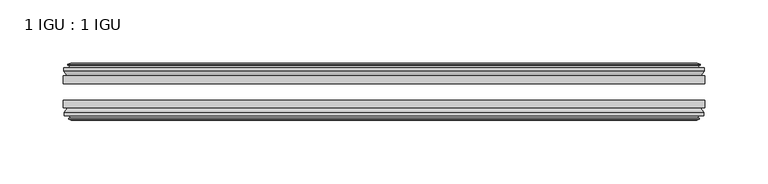
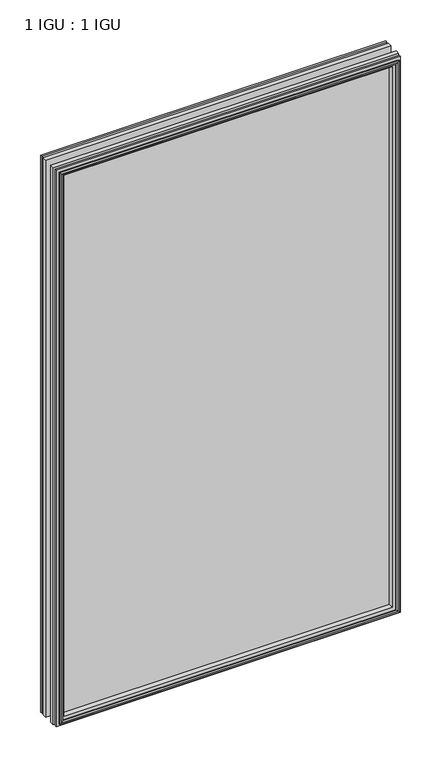
"""IFC4 building model written with IfcOpenShell, lengths in millimetres: plate geometry, 1 IGU : 1 IGU."""

from ifc_helpers import new_model, si_unit, frame, origin, place, context, project, spatial, polyline, outline, extrude, faceted_brep, source, transform, mapped, element, save


def plate_1_igu_1_igu_9dfd8cb1(model_context):
    return source(origin(), model_context, "Body", "SolidModel", [
        extrude(outline(polyline([(253.4683132, -19.5460937), (253.4683132, -25.8960938), (-253.4683132, -25.8960938), (-253.4683132, -19.5460937), (253.4683132, -19.5460937)])), frame((0.0, 0.0, -12.7), z_axis=(0.0, 0.0, 1.0), x_axis=(1.0, 0.0, 0.0)), (0.0, 0.0, 1.0), 863.6104046),
        extrude(outline(polyline([(-253.4683132, -44.9460938), (-253.4683132, -38.9186737), (253.4683132, -38.9186737), (253.4683132, -44.9460938), (-253.4683132, -44.9460938)])), frame((0.0, 0.0, -12.7), z_axis=(0.0, 0.0, 1.0), x_axis=(1.0, 0.0, 0.0)), (0.0, 0.0, 1.0), 863.6104046),
        faceted_brep([(-247.8803132, -53.6762907, 845.3224046), (-248.2613132, -51.2960937, 845.7034046), (-248.2613132, -51.2960937, -7.493), (-247.8803132, -53.6762907, -7.112), (-249.2958422, -53.2163575, 846.7379337), (-249.2958422, -53.2163575, -8.5275291), (-249.2958422, -54.0175717, 846.7379337), (-249.2958422, -54.0175717, -8.5275291), (-247.1183132, -54.7250937, 844.5604046), (-247.1183132, -54.7250937, -6.35), (-244.9407841, -54.0175717, 842.3828756), (-244.9407841, -54.0175717, -4.1724709), (-244.9407841, -53.2163575, 842.3828756), (-244.9407841, -53.2163575, -4.1724709), (-246.3563132, -53.6762907, 843.7984046), (-246.3563132, -53.6762907, -5.588), (-245.9753132, -51.2960937, 843.4174046), (-245.9753132, -51.2960937, -5.207), (-239.0505951, -44.9460937, 836.4926865), (-240.7683132, -51.2960937, 838.2104046), (-240.7683132, -51.2960937, 0.0), (-239.0505951, -44.9460937, 1.7177181), (-252.7063132, -48.3496937, 850.1484046), (-249.871971, -44.9460937, 847.3140624), (-249.871971, -44.9460937, -9.1036578), (-252.7063132, -48.3496937, -11.938), (-252.7063132, -51.2960937, 850.1484046), (-252.7063132, -51.2960937, -11.938), (248.2613132, -51.2960938, -7.493), (247.8803132, -53.6762907, -7.112), (249.2958422, -53.2163575, -8.5275291), (249.2958422, -54.0175717, -8.5275291), (247.1183132, -54.7250937, -6.35), (244.9407841, -54.0175717, -4.1724709), (244.9407841, -53.2163575, -4.1724709), (246.3563132, -53.6762907, -5.588), (245.9753132, -51.2960937, -5.207), (240.7683132, -51.2960937, 0.0), (239.0505951, -44.9460937, 1.7177181), (249.871971, -44.9460937, -9.1036578), (252.7063132, -48.3496937, -11.938), (252.7063132, -51.2960938, -11.938), (248.2613132, -51.2960938, 845.7034046), (247.8803132, -53.6762907, 845.3224046), (249.2958422, -53.2163575, 846.7379337), (249.2958422, -54.0175717, 846.7379337), (247.1183132, -54.7250937, 844.5604046), (244.9407841, -54.0175717, 842.3828756), (244.9407841, -53.2163575, 842.3828756), (246.3563132, -53.6762907, 843.7984046), (245.9753132, -51.2960937, 843.4174046), (240.7683132, -51.2960937, 838.2104046), (239.0505951, -44.9460937, 836.4926865), (249.871971, -44.9460937, 847.3140624), (252.7063132, -48.3496937, 850.1484046), (252.7063132, -51.2960938, 850.1484046)], [[[0, 1, 2, 3]], [[4, 0, 3, 5]], [[6, 4, 5, 7]], [[8, 6, 7, 9]], [[10, 8, 9, 11]], [[12, 10, 11, 13]], [[14, 12, 13, 15]], [[16, 14, 15, 17]], [[18, 19, 20, 21]], [[22, 23, 24, 25]], [[26, 22, 25, 27]], [[3, 2, 28, 29]], [[5, 3, 29, 30]], [[7, 5, 30, 31]], [[9, 7, 31, 32]], [[11, 9, 32, 33]], [[13, 11, 33, 34]], [[15, 13, 34, 35]], [[17, 15, 35, 36]], [[21, 20, 37, 38]], [[25, 24, 39, 40]], [[27, 25, 40, 41]], [[29, 28, 42, 43]], [[30, 29, 43, 44]], [[31, 30, 44, 45]], [[32, 31, 45, 46]], [[33, 32, 46, 47]], [[34, 33, 47, 48]], [[35, 34, 48, 49]], [[36, 35, 49, 50]], [[38, 37, 51, 52]], [[40, 39, 53, 54]], [[41, 40, 54, 55]], [[27, 41, 55, 26], [1, 42, 28, 2]], [[43, 42, 1, 0]], [[44, 43, 0, 4]], [[45, 44, 4, 6]], [[46, 45, 6, 8]], [[47, 46, 8, 10]], [[48, 47, 10, 12]], [[49, 48, 12, 14]], [[50, 49, 14, 16]], [[17, 36, 50, 16], [19, 51, 37, 20]], [[52, 51, 19, 18]], [[23, 53, 39, 24], [21, 38, 52, 18]], [[54, 53, 23, 22]], [[55, 54, 22, 26]]]),
        faceted_brep([(-250.392671, -19.5460937, 847.8347624), (-253.2270132, -16.1424937, 850.6691046), (-253.2270132, -16.1424937, -12.4587), (-250.392671, -19.5460937, -9.6243578), (-241.2890132, -13.1960937, 838.7311046), (-239.5712951, -19.5460937, 837.0133865), (-239.5712951, -19.5460937, 1.1970181), (-241.2890132, -13.1960937, -0.5207), (-246.8770132, -10.8158968, 844.3191046), (-246.4960132, -13.1960937, 843.9381046), (-246.4960132, -13.1960937, -5.7277), (-246.8770132, -10.8158968, -6.1087), (-245.4614841, -11.27583, 842.9035756), (-245.4614841, -11.27583, -4.6931709), (-245.4614841, -10.4746158, 842.9035756), (-245.4614841, -10.4746158, -4.6931709), (-247.6390132, -9.7670937, 845.0811046), (-247.6390132, -9.7670937, -6.8707), (-249.8165422, -10.4746158, 847.2586337), (-249.8165422, -10.4746158, -9.0482291), (-249.8165422, -11.27583, 847.2586337), (-249.8165422, -11.27583, -9.0482291), (-248.4010132, -10.8158968, 845.8431046), (-248.4010132, -10.8158968, -7.6327), (-248.7820132, -13.1960937, 846.2241046), (-248.7820132, -13.1960937, -8.0137), (-253.2270132, -13.1960937, 850.6691046), (-253.2270132, -13.1960937, -12.4587), (253.2270132, -16.1424937, -12.4587), (250.392671, -19.5460937, -9.6243578), (239.5712951, -19.5460937, 1.1970181), (241.2890132, -13.1960937, -0.5207), (246.4960132, -13.1960937, -5.7277), (246.8770132, -10.8158968, -6.1087), (245.4614841, -11.27583, -4.6931709), (245.4614841, -10.4746158, -4.6931709), (247.6390132, -9.7670937, -6.8707), (249.8165422, -10.4746158, -9.0482291), (249.8165422, -11.27583, -9.0482291), (248.4010132, -10.8158968, -7.6327), (248.7820132, -13.1960937, -8.0137), (253.2270132, -13.1960937, -12.4587), (253.2270132, -16.1424937, 850.6691046), (250.392671, -19.5460937, 847.8347624), (239.5712951, -19.5460937, 837.0133865), (241.2890132, -13.1960937, 838.7311046), (246.4960132, -13.1960937, 843.9381046), (246.8770132, -10.8158968, 844.3191046), (245.4614841, -11.27583, 842.9035756), (245.4614841, -10.4746158, 842.9035756), (247.6390132, -9.7670937, 845.0811046), (249.8165422, -10.4746158, 847.2586337), (249.8165422, -11.27583, 847.2586337), (248.4010132, -10.8158968, 845.8431046), (248.7820132, -13.1960937, 846.2241046), (253.2270132, -13.1960937, 850.6691046)], [[[0, 1, 2, 3]], [[4, 5, 6, 7]], [[8, 9, 10, 11]], [[12, 8, 11, 13]], [[14, 12, 13, 15]], [[16, 14, 15, 17]], [[18, 16, 17, 19]], [[20, 18, 19, 21]], [[22, 20, 21, 23]], [[24, 22, 23, 25]], [[1, 26, 27, 2]], [[3, 2, 28, 29]], [[7, 6, 30, 31]], [[11, 10, 32, 33]], [[13, 11, 33, 34]], [[15, 13, 34, 35]], [[17, 15, 35, 36]], [[19, 17, 36, 37]], [[21, 19, 37, 38]], [[23, 21, 38, 39]], [[25, 23, 39, 40]], [[2, 27, 41, 28]], [[29, 28, 42, 43]], [[31, 30, 44, 45]], [[33, 32, 46, 47]], [[34, 33, 47, 48]], [[35, 34, 48, 49]], [[36, 35, 49, 50]], [[37, 36, 50, 51]], [[38, 37, 51, 52]], [[39, 38, 52, 53]], [[40, 39, 53, 54]], [[28, 41, 55, 42]], [[43, 42, 1, 0]], [[3, 29, 43, 0], [5, 44, 30, 6]], [[45, 44, 5, 4]], [[9, 46, 32, 10], [7, 31, 45, 4]], [[47, 46, 9, 8]], [[48, 47, 8, 12]], [[49, 48, 12, 14]], [[50, 49, 14, 16]], [[51, 50, 16, 18]], [[52, 51, 18, 20]], [[53, 52, 20, 22]], [[54, 53, 22, 24]], [[26, 55, 41, 27], [25, 40, 54, 24]], [[42, 55, 26, 1]]]),
    ])


if __name__ == "__main__":
    model = new_model("IFC4")
    model_context = context("Model", 3, world=origin())
    ifc_project = project(units=[si_unit("LENGTHUNIT", "METRE", prefix="MILLI")], contexts=[model_context])
    site = spatial("IfcSite", under=ifc_project)
    building = spatial("IfcBuilding", under=site)
    placement = place(None, origin())
    plate_1_igu_1_igu_shape = plate_1_igu_1_igu_9dfd8cb1(model_context)
    element("IfcPlate", 1, ObjectType="1 IGU : 1 IGU", at=placement, inside=building, context=model_context, shape_type="MappedRepresentation", body=[
        mapped(plate_1_igu_1_igu_shape, transform((0.0, 0.0, 0.0), x_axis=(1.0, 0.0, 0.0), y_axis=(0.0, 1.0, 0.0), z_axis=(0.0, 0.0, 1.0))),
    ])
    save(model, "model.ifc")
